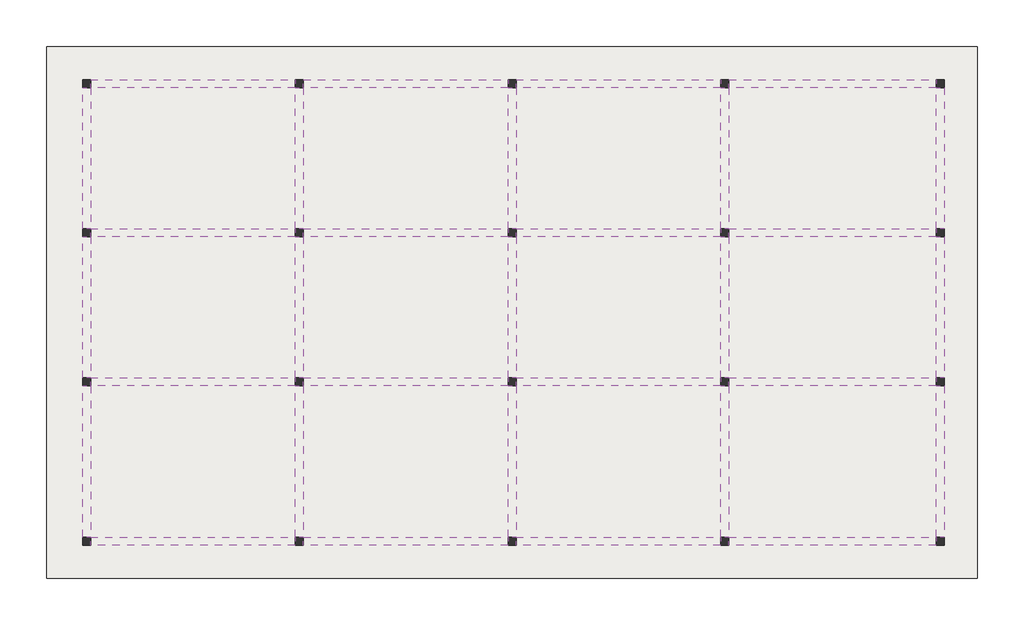
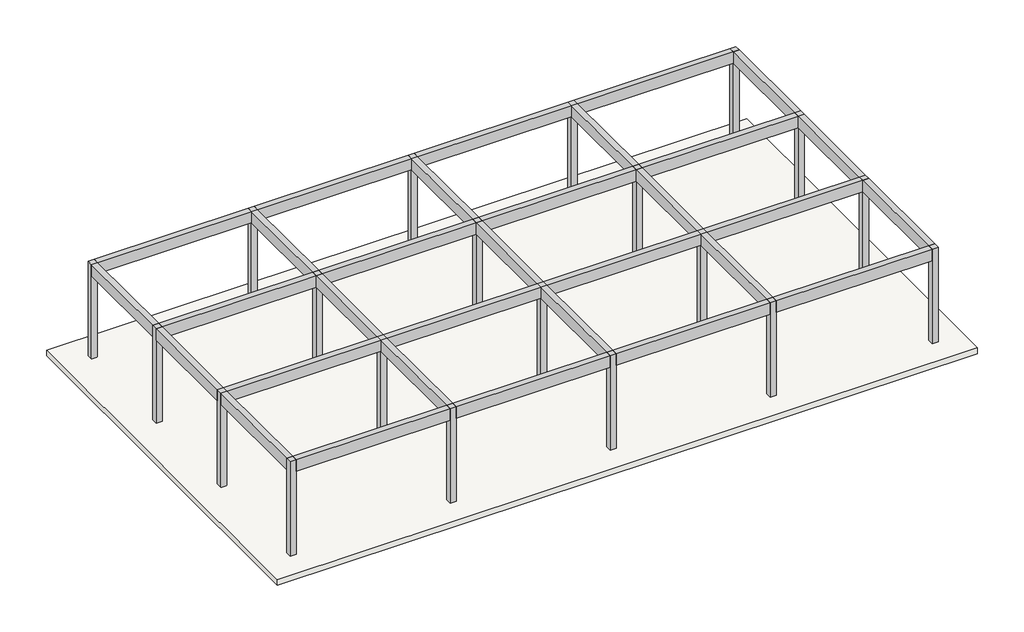
# One storey: 31 beams, 20 columns, 1 slab.
"""IFC4 building model written with IfcOpenShell, lengths in millimetres."""

from ifc_helpers import new_model, si_unit, frame, origin, origin_with_axes, place, context, project, spatial, polyline, outline, extrude, element, save

model = new_model("IFC4")

# Units and contexts
model_context = context("Model", 3, world=origin())
ifc_project = project(units=[si_unit("LENGTHUNIT", "METRE", prefix="MILLI")], contexts=[model_context])

# Site, building, storey
site = spatial("IfcSite", under=ifc_project)
building = spatial("IfcBuilding", under=site)
storey = spatial("IfcBuildingStorey", under=building, Elevation=0.0)

# Beams
placement = place(None, origin())
element("IfcBeam", 1, ObjectType="3M - Trave in cls - Rettangolare : 3M 300 x600mm", at=placement, inside=storey, context=model_context, shape_type="SweptSolid", body=[
    extrude(outline(polyline([(-20556.7371141, 5040.094284), (-20556.7371141, 5340.094284), (-12856.7371142, 5340.094284), (-12856.7371142, 5040.094284), (-20556.7371141, 5040.094284)])), frame((0.0, 0.0, 4400.0), z_axis=(0.0, 0.0, 1.0), x_axis=(1.0, 0.0, 0.0)), (0.0, 0.0, 1.0), 600.0),
])
element("IfcBeam", 2, ObjectType="3M - Trave in cls - Rettangolare : 3M 300 x600mm", at=placement, inside=storey, context=model_context, shape_type="SweptSolid", body=[
    extrude(outline(polyline([(-12556.7371142, 5040.094284), (-12556.7371142, 5340.094284), (-4856.7371142, 5340.094284), (-4856.7371142, 5040.094284), (-12556.7371142, 5040.094284)])), frame((0.0, 0.0, 4400.0), z_axis=(0.0, 0.0, 1.0), x_axis=(1.0, 0.0, 0.0)), (0.0, 0.0, 1.0), 600.0),
])
element("IfcBeam", 3, ObjectType="3M - Trave in cls - Rettangolare : 3M 300 x600mm", at=placement, inside=storey, context=model_context, shape_type="SweptSolid", body=[
    extrude(outline(polyline([(-4556.7371142, 5040.094284), (-4556.7371142, 5340.094284), (3143.2628858, 5340.094284), (3143.2628858, 5040.094284), (-4556.7371142, 5040.094284)])), frame((0.0, 0.0, 4400.0), z_axis=(0.0, 0.0, 1.0), x_axis=(1.0, 0.0, 0.0)), (0.0, 0.0, 1.0), 600.0),
])
element("IfcBeam", 4, ObjectType="3M - Trave in cls - Rettangolare : 3M 300 x600mm", at=placement, inside=storey, context=model_context, shape_type="SweptSolid", body=[
    extrude(outline(polyline([(3443.2628858, 5040.094284), (3443.2628858, 5340.094284), (11243.2628858, 5340.094284), (11243.2628858, 5040.094284), (3443.2628858, 5040.094284)])), frame((0.0, 0.0, 4400.0), z_axis=(0.0, 0.0, 1.0), x_axis=(1.0, 0.0, 0.0)), (0.0, 0.0, 1.0), 600.0),
])
element("IfcBeam", 5, ObjectType="3M - Trave in cls - Rettangolare : 3M 300 x600mm", at=placement, inside=storey, context=model_context, shape_type="SweptSolid", body=[
    extrude(outline(polyline([(-20556.7371141, -559.905716), (-20556.7371141, -259.905716), (-12856.7371142, -259.905716), (-12856.7371142, -559.905716), (-20556.7371141, -559.905716)])), frame((0.0, 0.0, 4400.0), z_axis=(0.0, 0.0, 1.0), x_axis=(1.0, 0.0, 0.0)), (0.0, 0.0, 1.0), 600.0),
])
element("IfcBeam", 6, ObjectType="3M - Trave in cls - Rettangolare : 3M 300 x600mm", at=placement, inside=storey, context=model_context, shape_type="SweptSolid", body=[
    extrude(outline(polyline([(-12556.7371142, -559.905716), (-12556.7371142, -259.905716), (-4856.7371142, -259.905716), (-4856.7371142, -559.905716), (-12556.7371142, -559.905716)])), frame((0.0, 0.0, 4400.0), z_axis=(0.0, 0.0, 1.0), x_axis=(1.0, 0.0, 0.0)), (0.0, 0.0, 1.0), 600.0),
])
element("IfcBeam", 7, ObjectType="3M - Trave in cls - Rettangolare : 3M 300 x600mm", at=placement, inside=storey, context=model_context, shape_type="SweptSolid", body=[
    extrude(outline(polyline([(-4556.7371142, -559.905716), (-4556.7371142, -259.905716), (3143.2628858, -259.905716), (3143.2628858, -559.905716), (-4556.7371142, -559.905716)])), frame((0.0, 0.0, 4400.0), z_axis=(0.0, 0.0, 1.0), x_axis=(1.0, 0.0, 0.0)), (0.0, 0.0, 1.0), 600.0),
])
element("IfcBeam", 8, ObjectType="3M - Trave in cls - Rettangolare : 3M 300 x600mm", at=placement, inside=storey, context=model_context, shape_type="SweptSolid", body=[
    extrude(outline(polyline([(3443.2628858, -559.905716), (3443.2628858, -259.905716), (11243.2628858, -259.905716), (11243.2628858, -559.905716), (3443.2628858, -559.905716)])), frame((0.0, 0.0, 4400.0), z_axis=(0.0, 0.0, 1.0), x_axis=(1.0, 0.0, 0.0)), (0.0, 0.0, 1.0), 600.0),
])
element("IfcBeam", 9, ObjectType="3M - Trave in cls - Rettangolare : 3M 300 x600mm", at=placement, inside=storey, context=model_context, shape_type="SweptSolid", body=[
    extrude(outline(polyline([(-20556.7371141, -6159.905716), (-20556.7371141, -5859.905716), (-12856.7371142, -5859.905716), (-12856.7371142, -6159.905716), (-20556.7371141, -6159.905716)])), frame((0.0, 0.0, 4400.0), z_axis=(0.0, 0.0, 1.0), x_axis=(1.0, 0.0, 0.0)), (0.0, 0.0, 1.0), 600.0),
])
element("IfcBeam", 10, ObjectType="3M - Trave in cls - Rettangolare : 3M 300 x600mm", at=placement, inside=storey, context=model_context, shape_type="SweptSolid", body=[
    extrude(outline(polyline([(-12556.7371142, -6159.905716), (-12556.7371142, -5859.905716), (-4856.7371142, -5859.905716), (-4856.7371142, -6159.905716), (-12556.7371142, -6159.905716)])), frame((0.0, 0.0, 4400.0), z_axis=(0.0, 0.0, 1.0), x_axis=(1.0, 0.0, 0.0)), (0.0, 0.0, 1.0), 600.0),
])
element("IfcBeam", 11, ObjectType="3M - Trave in cls - Rettangolare : 3M 300 x600mm", at=placement, inside=storey, context=model_context, shape_type="SweptSolid", body=[
    extrude(outline(polyline([(-4556.7371142, -6159.905716), (-4556.7371142, -5859.905716), (3143.2628858, -5859.905716), (3143.2628858, -6159.905716), (-4556.7371142, -6159.905716)])), frame((0.0, 0.0, 4400.0), z_axis=(0.0, 0.0, 1.0), x_axis=(1.0, 0.0, 0.0)), (0.0, 0.0, 1.0), 600.0),
])
element("IfcBeam", 12, ObjectType="3M - Trave in cls - Rettangolare : 3M 300 x600mm", at=placement, inside=storey, context=model_context, shape_type="SweptSolid", body=[
    extrude(outline(polyline([(3443.2628858, -6159.905716), (3443.2628858, -5859.905716), (11243.2628858, -5859.905716), (11243.2628858, -6159.905716), (3443.2628858, -6159.905716)])), frame((0.0, 0.0, 4400.0), z_axis=(0.0, 0.0, 1.0), x_axis=(1.0, 0.0, 0.0)), (0.0, 0.0, 1.0), 600.0),
])
element("IfcBeam", 13, ObjectType="3M - Trave in cls - Rettangolare : 3M 300 x600mm", at=placement, inside=storey, context=model_context, shape_type="SweptSolid", body=[
    extrude(outline(polyline([(-20556.7371142, -12159.905716), (-20556.7371142, -11859.905716), (-12856.7371142, -11859.905716), (-12856.7371142, -12159.905716), (-20556.7371142, -12159.905716)])), frame((0.0, 0.0, 4400.0), z_axis=(0.0, 0.0, 1.0), x_axis=(1.0, 0.0, 0.0)), (0.0, 0.0, 1.0), 600.0),
])
element("IfcBeam", 14, ObjectType="3M - Trave in cls - Rettangolare : 3M 300 x600mm", at=placement, inside=storey, context=model_context, shape_type="SweptSolid", body=[
    extrude(outline(polyline([(-12556.7371142, -12159.905716), (-12556.7371142, -11859.905716), (-4856.7371142, -11859.905716), (-4856.7371142, -12159.905716), (-12556.7371142, -12159.905716)])), frame((0.0, 0.0, 4400.0), z_axis=(0.0, 0.0, 1.0), x_axis=(1.0, 0.0, 0.0)), (0.0, 0.0, 1.0), 600.0),
])
element("IfcBeam", 15, ObjectType="3M - Trave in cls - Rettangolare : 3M 300 x600mm", at=placement, inside=storey, context=model_context, shape_type="SweptSolid", body=[
    extrude(outline(polyline([(-4556.7371142, -12159.905716), (-4556.7371142, -11859.905716), (3143.2628858, -11859.905716), (3143.2628858, -12159.905716), (-4556.7371142, -12159.905716)])), frame((0.0, 0.0, 4400.0), z_axis=(0.0, 0.0, 1.0), x_axis=(1.0, 0.0, 0.0)), (0.0, 0.0, 1.0), 600.0),
])
element("IfcBeam", 16, ObjectType="3M - Trave in cls - Rettangolare : 3M 300 x600mm", at=placement, inside=storey, context=model_context, shape_type="SweptSolid", body=[
    extrude(outline(polyline([(3443.2628858, -12159.905716), (3443.2628858, -11859.905716), (11243.2628858, -11859.905716), (11243.2628858, -12159.905716), (3443.2628858, -12159.905716)])), frame((0.0, 0.0, 4400.0), z_axis=(0.0, 0.0, 1.0), x_axis=(1.0, 0.0, 0.0)), (0.0, 0.0, 1.0), 600.0),
])
element("IfcBeam", 17, ObjectType="3M - Trave in cls - Rettangolare : 3M 300 x600mm", at=placement, inside=storey, context=model_context, shape_type="SweptSolid", body=[
    extrude(outline(polyline([(-20856.7371141, 5040.094284), (-20556.7371141, 5040.094284), (-20556.7371141, -259.905716), (-20856.7371141, -259.905716), (-20856.7371141, 5040.094284)])), frame((0.0, 0.0, 4400.0), z_axis=(0.0, 0.0, 1.0), x_axis=(1.0, 0.0, 0.0)), (0.0, 0.0, 1.0), 600.0),
])
element("IfcBeam", 18, ObjectType="3M - Trave in cls - Rettangolare : 3M 300 x600mm", at=placement, inside=storey, context=model_context, shape_type="SweptSolid", body=[
    extrude(outline(polyline([(-20856.7371141, -559.905716), (-20556.7371141, -559.905716), (-20556.7371141, -5859.905716), (-20856.7371141, -5859.905716), (-20856.7371141, -559.905716)])), frame((0.0, 0.0, 4400.0), z_axis=(0.0, 0.0, 1.0), x_axis=(1.0, 0.0, 0.0)), (0.0, 0.0, 1.0), 600.0),
])
element("IfcBeam", 19, ObjectType="3M - Trave in cls - Rettangolare : 3M 300 x600mm", at=placement, inside=storey, context=model_context, shape_type="SweptSolid", body=[
    extrude(outline(polyline([(-20856.7371141, -6159.905716), (-20556.7371141, -6159.905716), (-20556.7371142, -11859.905716), (-20856.7371142, -11859.905716), (-20856.7371141, -6159.905716)])), frame((0.0, 0.0, 4400.0), z_axis=(0.0, 0.0, 1.0), x_axis=(1.0, 0.0, 0.0)), (0.0, 0.0, 1.0), 600.0),
])
element("IfcBeam", 20, ObjectType="3M - Trave in cls - Rettangolare : 3M 300 x600mm", at=placement, inside=storey, context=model_context, shape_type="SweptSolid", body=[
    extrude(outline(polyline([(-12856.7371142, 5040.094284), (-12556.7371142, 5040.094284), (-12556.7371142, -259.905716), (-12856.7371142, -259.905716), (-12856.7371142, 5040.094284)])), frame((0.0, 0.0, 4400.0), z_axis=(0.0, 0.0, 1.0), x_axis=(1.0, 0.0, 0.0)), (0.0, 0.0, 1.0), 600.0),
])
element("IfcBeam", 21, ObjectType="3M - Trave in cls - Rettangolare : 3M 300 x600mm", at=placement, inside=storey, context=model_context, shape_type="SweptSolid", body=[
    extrude(outline(polyline([(-12856.7371142, -559.905716), (-12556.7371142, -559.905716), (-12556.7371142, -5859.905716), (-12856.7371142, -5859.905716), (-12856.7371142, -559.905716)])), frame((0.0, 0.0, 4400.0), z_axis=(0.0, 0.0, 1.0), x_axis=(1.0, 0.0, 0.0)), (0.0, 0.0, 1.0), 600.0),
])
element("IfcBeam", 22, ObjectType="3M - Trave in cls - Rettangolare : 3M 300 x600mm", at=placement, inside=storey, context=model_context, shape_type="SweptSolid", body=[
    extrude(outline(polyline([(-12856.7371142, -6159.905716), (-12556.7371142, -6159.905716), (-12556.7371142, -11859.905716), (-12856.7371142, -11859.905716), (-12856.7371142, -6159.905716)])), frame((0.0, 0.0, 4400.0), z_axis=(0.0, 0.0, 1.0), x_axis=(1.0, 0.0, 0.0)), (0.0, 0.0, 1.0), 600.0),
])
element("IfcBeam", 23, ObjectType="3M - Trave in cls - Rettangolare : 3M 300 x600mm", at=placement, inside=storey, context=model_context, shape_type="SweptSolid", body=[
    extrude(outline(polyline([(-4856.7371142, 5040.094284), (-4556.7371142, 5040.094284), (-4556.7371142, -259.905716), (-4856.7371142, -259.905716), (-4856.7371142, 5040.094284)])), frame((0.0, 0.0, 4400.0), z_axis=(0.0, 0.0, 1.0), x_axis=(1.0, 0.0, 0.0)), (0.0, 0.0, 1.0), 600.0),
])
element("IfcBeam", 24, ObjectType="3M - Trave in cls - Rettangolare : 3M 300 x600mm", at=placement, inside=storey, context=model_context, shape_type="SweptSolid", body=[
    extrude(outline(polyline([(-4856.7371142, -559.905716), (-4556.7371142, -559.905716), (-4556.7371142, -5859.905716), (-4856.7371142, -5859.905716), (-4856.7371142, -559.905716)])), frame((0.0, 0.0, 4400.0), z_axis=(0.0, 0.0, 1.0), x_axis=(1.0, 0.0, 0.0)), (0.0, 0.0, 1.0), 600.0),
])
element("IfcBeam", 25, ObjectType="3M - Trave in cls - Rettangolare : 3M 300 x600mm", at=placement, inside=storey, context=model_context, shape_type="SweptSolid", body=[
    extrude(outline(polyline([(-4856.7371142, -6159.905716), (-4556.7371142, -6159.905716), (-4556.7371142, -11859.905716), (-4856.7371142, -11859.905716), (-4856.7371142, -6159.905716)])), frame((0.0, 0.0, 4400.0), z_axis=(0.0, 0.0, 1.0), x_axis=(1.0, 0.0, 0.0)), (0.0, 0.0, 1.0), 600.0),
])
element("IfcBeam", 26, ObjectType="3M - Trave in cls - Rettangolare : 3M 300 x600mm", at=placement, inside=storey, context=model_context, shape_type="SweptSolid", body=[
    extrude(outline(polyline([(3143.2628858, 5040.094284), (3443.2628858, 5040.094284), (3443.2628858, -259.905716), (3143.2628858, -259.905716), (3143.2628858, 5040.094284)])), frame((0.0, 0.0, 4400.0), z_axis=(0.0, 0.0, 1.0), x_axis=(1.0, 0.0, 0.0)), (0.0, 0.0, 1.0), 600.0),
])
element("IfcBeam", 27, ObjectType="3M - Trave in cls - Rettangolare : 3M 300 x600mm", at=placement, inside=storey, context=model_context, shape_type="SweptSolid", body=[
    extrude(outline(polyline([(3143.2628858, -559.905716), (3443.2628858, -559.905716), (3443.2628858, -5859.905716), (3143.2628858, -5859.905716), (3143.2628858, -559.905716)])), frame((0.0, 0.0, 4400.0), z_axis=(0.0, 0.0, 1.0), x_axis=(1.0, 0.0, 0.0)), (0.0, 0.0, 1.0), 600.0),
])
element("IfcBeam", 28, ObjectType="3M - Trave in cls - Rettangolare : 3M 300 x600mm", at=placement, inside=storey, context=model_context, shape_type="SweptSolid", body=[
    extrude(outline(polyline([(3143.2628858, -6159.905716), (3443.2628858, -6159.905716), (3443.2628858, -11859.905716), (3143.2628858, -11859.905716), (3143.2628858, -6159.905716)])), frame((0.0, 0.0, 4400.0), z_axis=(0.0, 0.0, 1.0), x_axis=(1.0, 0.0, 0.0)), (0.0, 0.0, 1.0), 600.0),
])
element("IfcBeam", 29, ObjectType="3M - Trave in cls - Rettangolare : 3M 300 x600mm", at=placement, inside=storey, context=model_context, shape_type="SweptSolid", body=[
    extrude(outline(polyline([(11243.2628858, 5040.094284), (11543.2628858, 5040.094284), (11543.2628858, -259.905716), (11243.2628858, -259.905716), (11243.2628858, 5040.094284)])), frame((0.0, 0.0, 4400.0), z_axis=(0.0, 0.0, 1.0), x_axis=(1.0, 0.0, 0.0)), (0.0, 0.0, 1.0), 600.0),
])
element("IfcBeam", 30, ObjectType="3M - Trave in cls - Rettangolare : 3M 300 x600mm", at=placement, inside=storey, context=model_context, shape_type="SweptSolid", body=[
    extrude(outline(polyline([(11243.2628858, -559.905716), (11543.2628858, -559.905716), (11543.2628858, -5859.905716), (11243.2628858, -5859.905716), (11243.2628858, -559.905716)])), frame((0.0, 0.0, 4400.0), z_axis=(0.0, 0.0, 1.0), x_axis=(1.0, 0.0, 0.0)), (0.0, 0.0, 1.0), 600.0),
])
element("IfcBeam", 31, ObjectType="3M - Trave in cls - Rettangolare : 3M 300 x600mm", at=placement, inside=storey, context=model_context, shape_type="SweptSolid", body=[
    extrude(outline(polyline([(11243.2628858, -6159.905716), (11543.2628858, -6159.905716), (11543.2628858, -11859.905716), (11243.2628858, -11859.905716), (11243.2628858, -6159.905716)])), frame((0.0, 0.0, 4400.0), z_axis=(0.0, 0.0, 1.0), x_axis=(1.0, 0.0, 0.0)), (0.0, 0.0, 1.0), 600.0),
])

# Columns
element("IfcColumn", 32, ObjectType="3M - Pilastro in cemento - Rettangolare : 30x30", at=placement, inside=storey, context=model_context, shape_type="SweptSolid", body=[
    extrude(outline(polyline([(-20556.7371141, 5340.094284), (-20556.7371141, 5040.094284), (-20856.7371141, 5040.094284), (-20856.7371141, 5340.094284), (-20556.7371141, 5340.094284)])), origin_with_axes(), (0.0, 0.0, 1.0), 5000.0),
])
element("IfcColumn", 33, ObjectType="3M - Pilastro in cemento - Rettangolare : 30x30", at=placement, inside=storey, context=model_context, shape_type="SweptSolid", body=[
    extrude(outline(polyline([(-12556.7371142, 5340.094284), (-12556.7371142, 5040.094284), (-12856.7371142, 5040.094284), (-12856.7371142, 5340.094284), (-12556.7371142, 5340.094284)])), origin_with_axes(), (0.0, 0.0, 1.0), 5000.0),
])
element("IfcColumn", 34, ObjectType="3M - Pilastro in cemento - Rettangolare : 30x30", at=placement, inside=storey, context=model_context, shape_type="SweptSolid", body=[
    extrude(outline(polyline([(-4556.7371142, 5340.094284), (-4556.7371142, 5040.094284), (-4856.7371142, 5040.094284), (-4856.7371142, 5340.094284), (-4556.7371142, 5340.094284)])), origin_with_axes(), (0.0, 0.0, 1.0), 5000.0),
])
element("IfcColumn", 35, ObjectType="3M - Pilastro in cemento - Rettangolare : 30x30", at=placement, inside=storey, context=model_context, shape_type="SweptSolid", body=[
    extrude(outline(polyline([(3443.2628858, 5340.094284), (3443.2628858, 5040.094284), (3143.2628858, 5040.094284), (3143.2628858, 5340.094284), (3443.2628858, 5340.094284)])), origin_with_axes(), (0.0, 0.0, 1.0), 5000.0),
])
element("IfcColumn", 36, ObjectType="3M - Pilastro in cemento - Rettangolare : 30x30", at=placement, inside=storey, context=model_context, shape_type="SweptSolid", body=[
    extrude(outline(polyline([(11543.2628858, 5340.094284), (11543.2628858, 5040.094284), (11243.2628858, 5040.094284), (11243.2628858, 5340.094284), (11543.2628858, 5340.094284)])), origin_with_axes(), (0.0, 0.0, 1.0), 5000.0),
])
element("IfcColumn", 37, ObjectType="3M - Pilastro in cemento - Rettangolare : 30x30", at=placement, inside=storey, context=model_context, shape_type="SweptSolid", body=[
    extrude(outline(polyline([(-20556.7371141, -259.905716), (-20556.7371141, -559.905716), (-20856.7371141, -559.905716), (-20856.7371141, -259.905716), (-20556.7371141, -259.905716)])), origin_with_axes(), (0.0, 0.0, 1.0), 5000.0),
])
element("IfcColumn", 38, ObjectType="3M - Pilastro in cemento - Rettangolare : 30x30", at=placement, inside=storey, context=model_context, shape_type="SweptSolid", body=[
    extrude(outline(polyline([(-12556.7371142, -259.905716), (-12556.7371142, -559.905716), (-12856.7371142, -559.905716), (-12856.7371142, -259.905716), (-12556.7371142, -259.905716)])), origin_with_axes(), (0.0, 0.0, 1.0), 5000.0),
])
element("IfcColumn", 39, ObjectType="3M - Pilastro in cemento - Rettangolare : 30x30", at=placement, inside=storey, context=model_context, shape_type="SweptSolid", body=[
    extrude(outline(polyline([(-4556.7371142, -259.905716), (-4556.7371142, -559.905716), (-4856.7371142, -559.905716), (-4856.7371142, -259.905716), (-4556.7371142, -259.905716)])), origin_with_axes(), (0.0, 0.0, 1.0), 5000.0),
])
element("IfcColumn", 40, ObjectType="3M - Pilastro in cemento - Rettangolare : 30x30", at=placement, inside=storey, context=model_context, shape_type="SweptSolid", body=[
    extrude(outline(polyline([(3443.2628858, -259.905716), (3443.2628858, -559.905716), (3143.2628858, -559.905716), (3143.2628858, -259.905716), (3443.2628858, -259.905716)])), origin_with_axes(), (0.0, 0.0, 1.0), 5000.0),
])
element("IfcColumn", 41, ObjectType="3M - Pilastro in cemento - Rettangolare : 30x30", at=placement, inside=storey, context=model_context, shape_type="SweptSolid", body=[
    extrude(outline(polyline([(11543.2628858, -259.905716), (11543.2628858, -559.905716), (11243.2628858, -559.905716), (11243.2628858, -259.905716), (11543.2628858, -259.905716)])), origin_with_axes(), (0.0, 0.0, 1.0), 5000.0),
])
element("IfcColumn", 42, ObjectType="3M - Pilastro in cemento - Rettangolare : 30x30", at=placement, inside=storey, context=model_context, shape_type="SweptSolid", body=[
    extrude(outline(polyline([(-20556.7371141, -5859.905716), (-20556.7371141, -6159.905716), (-20856.7371141, -6159.905716), (-20856.7371141, -5859.905716), (-20556.7371141, -5859.905716)])), origin_with_axes(), (0.0, 0.0, 1.0), 5000.0),
])
element("IfcColumn", 43, ObjectType="3M - Pilastro in cemento - Rettangolare : 30x30", at=placement, inside=storey, context=model_context, shape_type="SweptSolid", body=[
    extrude(outline(polyline([(-12556.7371142, -5859.905716), (-12556.7371142, -6159.905716), (-12856.7371142, -6159.905716), (-12856.7371142, -5859.905716), (-12556.7371142, -5859.905716)])), origin_with_axes(), (0.0, 0.0, 1.0), 5000.0),
])
element("IfcColumn", 44, ObjectType="3M - Pilastro in cemento - Rettangolare : 30x30", at=placement, inside=storey, context=model_context, shape_type="SweptSolid", body=[
    extrude(outline(polyline([(-4556.7371142, -5859.905716), (-4556.7371142, -6159.905716), (-4856.7371142, -6159.905716), (-4856.7371142, -5859.905716), (-4556.7371142, -5859.905716)])), origin_with_axes(), (0.0, 0.0, 1.0), 5000.0),
])
element("IfcColumn", 45, ObjectType="3M - Pilastro in cemento - Rettangolare : 30x30", at=placement, inside=storey, context=model_context, shape_type="SweptSolid", body=[
    extrude(outline(polyline([(3443.2628858, -5859.905716), (3443.2628858, -6159.905716), (3143.2628858, -6159.905716), (3143.2628858, -5859.905716), (3443.2628858, -5859.905716)])), origin_with_axes(), (0.0, 0.0, 1.0), 5000.0),
])
element("IfcColumn", 46, ObjectType="3M - Pilastro in cemento - Rettangolare : 30x30", at=placement, inside=storey, context=model_context, shape_type="SweptSolid", body=[
    extrude(outline(polyline([(11543.2628858, -5859.905716), (11543.2628858, -6159.905716), (11243.2628858, -6159.905716), (11243.2628858, -5859.905716), (11543.2628858, -5859.905716)])), origin_with_axes(), (0.0, 0.0, 1.0), 5000.0),
])
element("IfcColumn", 47, ObjectType="3M - Pilastro in cemento - Rettangolare : 30x30", at=placement, inside=storey, context=model_context, shape_type="SweptSolid", body=[
    extrude(outline(polyline([(-20556.7371142, -11859.905716), (-20556.7371142, -12159.905716), (-20856.7371142, -12159.905716), (-20856.7371142, -11859.905716), (-20556.7371142, -11859.905716)])), origin_with_axes(), (0.0, 0.0, 1.0), 5000.0),
])
element("IfcColumn", 48, ObjectType="3M - Pilastro in cemento - Rettangolare : 30x30", at=placement, inside=storey, context=model_context, shape_type="SweptSolid", body=[
    extrude(outline(polyline([(-12556.7371142, -11859.905716), (-12556.7371142, -12159.905716), (-12856.7371142, -12159.905716), (-12856.7371142, -11859.905716), (-12556.7371142, -11859.905716)])), origin_with_axes(), (0.0, 0.0, 1.0), 5000.0),
])
element("IfcColumn", 49, ObjectType="3M - Pilastro in cemento - Rettangolare : 30x30", at=placement, inside=storey, context=model_context, shape_type="SweptSolid", body=[
    extrude(outline(polyline([(-4556.7371142, -11859.905716), (-4556.7371142, -12159.905716), (-4856.7371142, -12159.905716), (-4856.7371142, -11859.905716), (-4556.7371142, -11859.905716)])), origin_with_axes(), (0.0, 0.0, 1.0), 5000.0),
])
element("IfcColumn", 50, ObjectType="3M - Pilastro in cemento - Rettangolare : 30x30", at=placement, inside=storey, context=model_context, shape_type="SweptSolid", body=[
    extrude(outline(polyline([(3443.2628858, -11859.905716), (3443.2628858, -12159.905716), (3143.2628858, -12159.905716), (3143.2628858, -11859.905716), (3443.2628858, -11859.905716)])), origin_with_axes(), (0.0, 0.0, 1.0), 5000.0),
])
element("IfcColumn", 51, ObjectType="3M - Pilastro in cemento - Rettangolare : 30x30", at=placement, inside=storey, context=model_context, shape_type="SweptSolid", body=[
    extrude(outline(polyline([(11543.2628858, -11859.905716), (11543.2628858, -12159.905716), (11243.2628858, -12159.905716), (11243.2628858, -11859.905716), (11543.2628858, -11859.905716)])), origin_with_axes(), (0.0, 0.0, 1.0), 5000.0),
])

# Slab
element("IfcSlab", 52, ObjectType="Latero Cementizio - 30 cm", at=placement, inside=storey, context=model_context, shape_type="SweptSolid", body=[
    extrude(outline(polyline([(-22209.5692782, -13409.905716), (-22209.5692782, 6590.094284), (12793.2628858, 6590.094284), (12793.2628858, -13409.905716), (-22209.5692782, -13409.905716)])), frame((0.0, 0.0, -300.0), z_axis=(0.0, 0.0, 1.0), x_axis=(1.0, 0.0, 0.0)), (0.0, 0.0, 1.0), 300.0),
])

save(model, "model.ifc")
